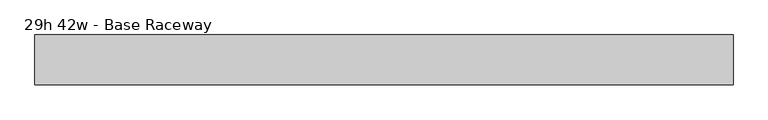
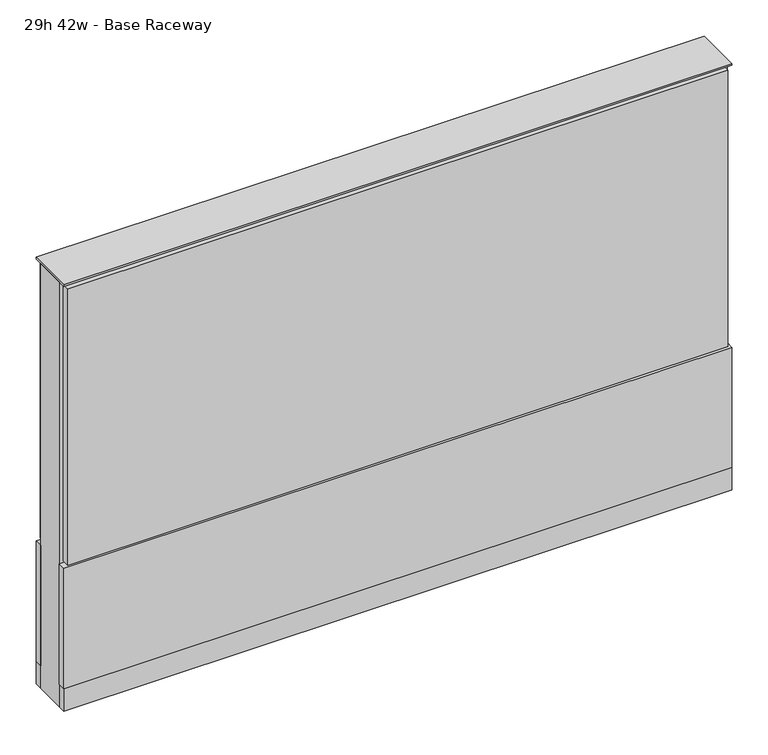
"""IFC4 building model written with IfcOpenShell, lengths in millimetres: furniture geometry, 29h 42w - Base Raceway."""

from ifc_helpers import new_model, si_unit, point, frame, frame_2d, origin, origin_with_axes, place, context, project, spatial, polyline, circle_curve, trimmed, segment, composite_curve, outline, extrude, source, transform, mapped, element, save


def furniture_29h_42w_base_raceway_a309d5ce(model_context):
    return source(origin(), model_context, "Body", "SweptSolid", [
        extrude(outline(composite_curve([segment(trimmed(circle_curve(frame_2d((459.6402902, 0.0)), 12.7), [point((446.9402902, 0.0))], [point((472.3402902, 0.0))], False, "CARTESIAN"), True, "CONTINUOUS"), segment(trimmed(circle_curve(frame_2d((459.6402902, 0.0)), 12.7), [point((472.3402902, 0.0))], [point((446.9402902, 0.0))], False, "CARTESIAN"), True, "CONTINUOUS")], self_intersect=False)), origin_with_axes(), (0.0, 0.0, 1.0), 12.7),
        extrude(outline(composite_curve([segment(trimmed(circle_curve(frame_2d((-454.7597098, 0.0)), 12.7), [point((-467.4597098, 0.0))], [point((-442.0597098, 0.0))], False, "CARTESIAN"), True, "CONTINUOUS"), segment(trimmed(circle_curve(frame_2d((-454.7597098, 0.0)), 12.7), [point((-442.0597098, 0.0))], [point((-467.4597098, 0.0))], False, "CARTESIAN"), True, "CONTINUOUS")], self_intersect=False)), origin_with_axes(), (0.0, 0.0, 1.0), 12.7),
        extrude(outline(polyline([(529.4902902, 38.1), (529.4902902, 25.4), (-524.6097098, 25.4), (-524.6097098, 38.1), (529.4902902, 38.1)])), frame((0.0, 0.0, 257.175), z_axis=(0.0, 0.0, 1.0), x_axis=(1.0, 0.0, 0.0)), (0.0, 0.0, 1.0), 466.725),
        extrude(outline(polyline([(535.8402902, 38.1), (535.8402902, 25.4), (-530.9597098, 25.4), (-530.9597098, 38.1), (535.8402902, 38.1)])), frame((0.0, 0.0, 50.8), z_axis=(0.0, 0.0, 1.0), x_axis=(1.0, 0.0, 0.0)), (0.0, 0.0, 1.0), 203.2),
        extrude(outline(polyline([(535.8402902, -38.1), (-530.9597098, -38.1), (-530.9597098, -25.4), (535.8402902, -25.4), (535.8402902, -38.1)])), frame((0.0, 0.0, 50.8), z_axis=(0.0, 0.0, 1.0), x_axis=(1.0, 0.0, 0.0)), (0.0, 0.0, 1.0), 203.2),
        extrude(outline(polyline([(529.4902902, -38.1), (-524.6097098, -38.1), (-524.6097098, -25.4), (529.4902902, -25.4), (529.4902902, -38.1)])), frame((0.0, 0.0, 257.175), z_axis=(0.0, 0.0, 1.0), x_axis=(1.0, 0.0, 0.0)), (0.0, 0.0, 1.0), 466.725),
        extrude(outline(polyline([(535.8402902, 25.4), (535.8402902, -25.4), (-530.9597098, -25.4), (-530.9597098, 25.4), (535.8402902, 25.4)])), frame((0.0, 0.0, 12.7), z_axis=(0.0, 0.0, 1.0), x_axis=(1.0, 0.0, 0.0)), (0.0, 0.0, 1.0), 717.55),
        extrude(outline(polyline([(-530.9597098, -38.1), (-530.9597098, 38.1), (535.8402902, 38.1), (535.8402902, -38.1), (-530.9597098, -38.1)])), frame((0.0, 0.0, 12.7), z_axis=(0.0, 0.0, 1.0), x_axis=(1.0, 0.0, 0.0)), (0.0, 0.0, 1.0), 38.1),
        extrude(outline(polyline([(-530.9597098, -38.1), (-530.9597098, 38.1), (535.8402902, 38.1), (535.8402902, -38.1), (-530.9597098, -38.1)])), frame((0.0, 0.0, 730.25), z_axis=(0.0, 0.0, 1.0), x_axis=(1.0, 0.0, 0.0)), (0.0, 0.0, 1.0), 3.175),
    ])


if __name__ == "__main__":
    model = new_model("IFC4")
    model_context = context("Model", 3, world=origin())
    ifc_project = project(units=[si_unit("LENGTHUNIT", "METRE", prefix="MILLI")], contexts=[model_context])
    site = spatial("IfcSite", under=ifc_project)
    building = spatial("IfcBuilding", under=site)
    placement = place(None, origin())
    furniture_29h_42w_base_raceway_shape = furniture_29h_42w_base_raceway_a309d5ce(model_context)
    element("IfcFurniture", 1, ObjectType="29h 42w - Base Raceway", at=placement, inside=building, context=model_context, shape_type="MappedRepresentation", body=[
        mapped(furniture_29h_42w_base_raceway_shape, transform((0.0, 0.0, 0.0), x_axis=(1.0, 0.0, 0.0), y_axis=(0.0, 1.0, 0.0), z_axis=(0.0, 0.0, 1.0))),
    ])
    save(model, "model.ifc")
